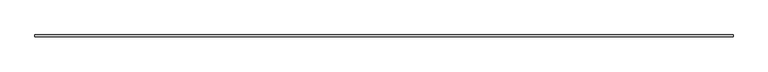
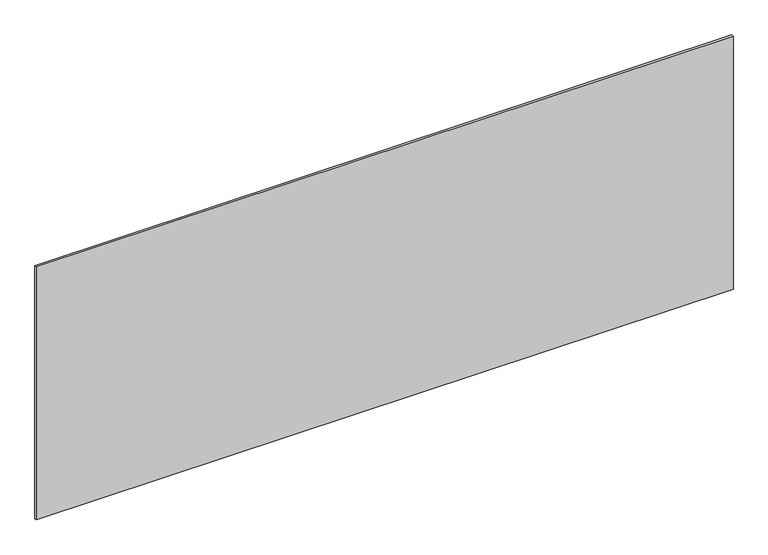
"""IFC4 building model written with IfcOpenShell, lengths in millimetres: plate geometry."""

from ifc_helpers import new_model, si_unit, origin, origin_with_axes, place, context, project, spatial, polyline, outline, extrude, source, transform, mapped, element, save


def plate_6d650b5f(model_context):
    return source(origin(), model_context, "Body", "SweptSolid", [
        extrude(outline(polyline([(1697.5, -5.0), (-1697.5, -5.0), (-1697.5, 5.0), (1697.5, 5.0), (1697.5, -5.0)])), origin_with_axes(), (0.0, 0.0, 1.0), 1302.8439899),
    ])


if __name__ == "__main__":
    model = new_model("IFC4")
    model_context = context("Model", 3, world=origin())
    ifc_project = project(units=[si_unit("LENGTHUNIT", "METRE", prefix="MILLI")], contexts=[model_context])
    site = spatial("IfcSite", under=ifc_project)
    building = spatial("IfcBuilding", under=site)
    placement = place(None, origin())
    plate_shape = plate_6d650b5f(model_context)
    element("IfcPlate", 1, at=placement, inside=building, context=model_context, shape_type="MappedRepresentation", body=[
        mapped(plate_shape, transform((0.0, 0.0, 0.0), x_axis=(1.0, 0.0, 0.0), y_axis=(0.0, 1.0, 0.0), z_axis=(0.0, 0.0, 1.0))),
    ])
    save(model, "model.ifc")
